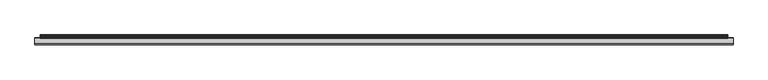
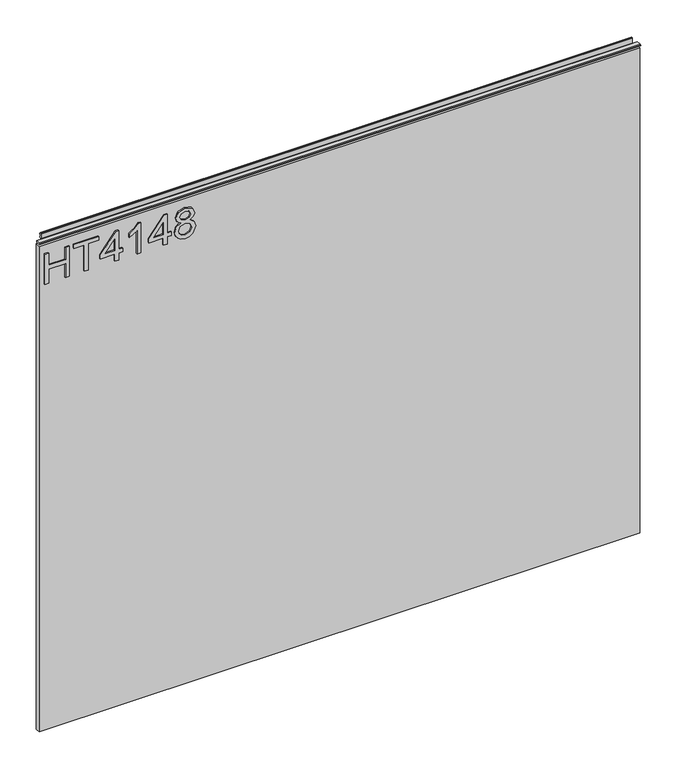
"""IFC4 building model written with IfcOpenShell, lengths in millimetres: furniture geometry."""

from ifc_helpers import new_model, si_unit, frame, origin, place, context, project, spatial, polyline, outline, extrude, source, transform, mapped, element, save


def furniture_0a1ecfd4(model_context):
    return source(origin(), model_context, "Body", "SweptSolid", [
        extrude(outline(polyline([(1053.0078, -288.5795281), (1053.0078, -280.6058085), (1082.9092486, -280.6058085), (1082.9092486, -246.7175001), (1053.0078, -246.7175001), (1053.0078, -238.7437805), (1116.7975569, -238.7437805), (1116.7975569, -246.7175001), (1090.8829682, -246.7175001), (1090.8829682, -280.6058085), (1116.7975569, -280.6058085), (1116.7975569, -288.5795281), (1053.0078, -288.5795281)])), frame((0.0, -5.6037602, 0.0), z_axis=(0.0, 1.0, 0.0), x_axis=(0.0, 0.0, 1.0)), (0.0, 0.0, 1.0), 2.38125),
        extrude(outline(polyline([(1053.0078, -208.8423319), (1053.0078, -200.8686123), (1108.8238373, -200.8686123), (1108.8238373, -179.9375983), (1116.7975569, -179.9375983), (1116.7975569, -229.7733459), (1108.8238373, -229.7733459), (1108.8238373, -208.8423319), (1053.0078, -208.8423319)])), frame((0.0, -5.6037602, 0.0), z_axis=(0.0, 1.0, 0.0), x_axis=(0.0, 0.0, 1.0)), (0.0, 0.0, 1.0), 2.38125),
        extrude(outline(polyline([(1053.0078, -148.0427198), (1053.0078, -140.0690002), (1067.9585243, -140.0690002), (1067.9585243, -132.0952806), (1075.9322439, -132.0952806), (1075.9322439, -140.0690002), (1115.800842, -140.0690002), (1115.800842, -146.0492899), (1075.9322439, -176.9474534), (1067.9585243, -176.9474534), (1067.9585243, -148.0427198), (1053.0078, -148.0427198)]), holes=[polyline([(1075.9322439, -148.0427198), (1075.9322439, -167.1360406), (1100.5697916, -148.0427198), (1075.9322439, -148.0427198)])]), frame((0.0, -5.6037602, 0.0), z_axis=(0.0, 1.0, 0.0), x_axis=(0.0, 0.0, 1.0)), (0.0, 0.0, 1.0), 2.38125),
        extrude(outline(polyline([(1053.0078, -95.2168274), (1116.7975569, -95.2168274), (1116.7975569, -100.3561388), (1108.3099062, -107.449946), (1100.8501177, -119.1379862), (1093.3124609, -119.1379862), (1097.3382549, -110.7437775), (1102.7189582, -103.190547), (1053.0078, -103.190547), (1053.0078, -95.2168274)])), frame((0.0, -5.6037602, 0.0), z_axis=(0.0, 1.0, 0.0), x_axis=(0.0, 0.0, 1.0)), (0.0, 0.0, 1.0), 2.38125),
        extrude(outline(polyline([(1053.0078, -50.3646545), (1053.0078, -42.3909349), (1067.9585243, -42.3909349), (1067.9585243, -34.4172153), (1075.9322439, -34.4172153), (1075.9322439, -42.3909349), (1115.800842, -42.3909349), (1115.800842, -48.3712246), (1075.9322439, -79.2693881), (1067.9585243, -79.2693881), (1067.9585243, -50.3646545), (1053.0078, -50.3646545)]), holes=[polyline([(1075.9322439, -50.3646545), (1075.9322439, -69.4579753), (1100.5697916, -50.3646545), (1075.9322439, -50.3646545)])]), frame((0.0, -5.6037602, 0.0), z_axis=(0.0, 1.0, 0.0), x_axis=(0.0, 0.0, 1.0)), (0.0, 0.0, 1.0), 2.38125),
        extrude(outline(polyline([(1088.1420021, -15.8222519), (1082.3485964, -24.4189184), (1071.7896474, -27.4402106), (1064.0320125, -25.999646), (1057.6721145, -21.6779523), (1053.4263424, -15.0046342), (1052.011085, -6.5091966), (1053.4205023, 1.986241), (1057.648754, 8.6595591), (1071.571616, 14.4218174), (1081.8891731, 11.5173277), (1088.1420021, 3.0374638), (1093.071069, 10.1001237), (1100.5853653, 12.4283875), (1112.0787346, 7.195634), (1116.7975569, -6.6182123), (1112.1877503, -20.3074692), (1100.8033967, -25.4467807), (1093.0944295, -23.0873695), (1088.1420021, -15.8222519)]), holes=[polyline([(1072.0699735, -19.466491), (1080.5264769, -16.0947912), (1083.9059635, -6.7116543), (1080.4797559, 2.9440218), (1071.8207947, 6.4480978), (1063.3253571, 3.0530375), (1059.9848047, -6.4469019), (1061.5733191, -13.4239066), (1066.0663232, -18.1349421), (1072.0699735, -19.466491)]), polyline([(1100.5697916, -17.4730611), (1106.3943446, -14.5997188), (1108.8238373, -6.5091966), (1106.3398368, 1.557965), (1100.2115972, 4.4546679), (1094.2936022, 1.6514071), (1091.8796831, -6.4157546), (1094.3091758, -14.6464398), (1100.5697916, -17.4730611)])]), frame((0.0, -5.6037602, 0.0), z_axis=(0.0, 1.0, 0.0), x_axis=(0.0, 0.0, 1.0)), (0.0, 0.0, 1.0), 2.38125),
        extrude(outline(polyline([(5.5562561, 1143.0), (6.3500061, 1143.0), (6.3500061, 1152.87425), (7.1437561, 1153.668), (8.6677569, 1153.668), (10.0084363, 1153.2506926), (10.875413, 1152.1461816), (10.9623604, 1150.7447591), (10.2390011, 1147.7863459), (10.4046103, 1146.5833307), (11.6746103, 1144.3836103), (10.7786383, 1143.8663244), (7.1437561, 1143.8663244), (7.1437561, 1143.0), (6.3500061, 1142.7669239), (6.3500061, 1135.5578), (5.5562561, 1135.5578), (5.5562561, 1143.0)])), frame((-288.671, 0.0, 0.0), z_axis=(1.0, 0.0, 0.0), x_axis=(0.0, 1.0, 0.0)), (0.0, 0.0, 1.0), 1186.942),
        extrude(outline(polyline([(5.5562561, 1143.0), (5.5562561, 1139.8249996), (-3.975094, 1139.8249996), (-5.3492339, 1140.6183657), (-5.3492339, 1142.2066395), (-3.9751037, 1143.0), (5.5562561, 1143.0)])), frame((-298.196, 0.0, 0.0), z_axis=(1.0, 0.0, 0.0), x_axis=(0.0, 1.0, 0.0)), (0.0, 0.0, 1.0), 1205.992),
        extrude(outline(polyline([(907.796, 6.3500061), (907.796, -3.1749939), (-298.196, -3.1749939), (-298.196, 6.3500061), (907.796, 6.3500061)])), frame((0.0, 0.0, 104.69626), z_axis=(0.0, 0.0, 1.0), x_axis=(1.0, 0.0, 0.0)), (0.0, 0.0, 1.0), 1030.86154),
    ])


if __name__ == "__main__":
    model = new_model("IFC4")
    model_context = context("Model", 3, world=origin())
    ifc_project = project(units=[si_unit("LENGTHUNIT", "METRE", prefix="MILLI")], contexts=[model_context])
    site = spatial("IfcSite", under=ifc_project)
    building = spatial("IfcBuilding", under=site)
    placement = place(None, origin())
    furniture_shape = furniture_0a1ecfd4(model_context)
    element("IfcFurniture", 1, at=placement, inside=building, context=model_context, shape_type="MappedRepresentation", body=[
        mapped(furniture_shape, transform((0.0, 0.0, 0.0), x_axis=(1.0, 0.0, 0.0), y_axis=(0.0, 1.0, 0.0), z_axis=(0.0, 0.0, 1.0))),
    ])
    save(model, "model.ifc")
